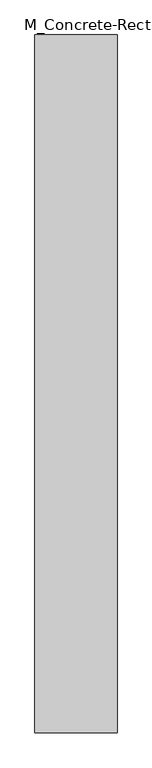
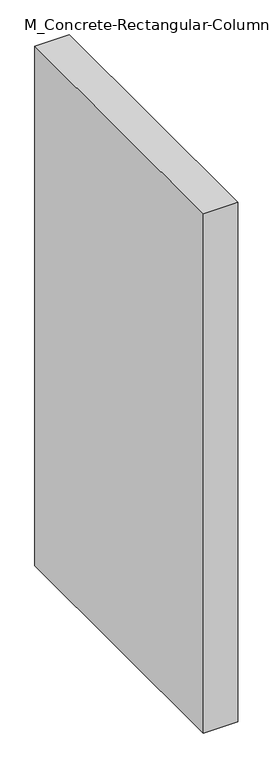
"""IFC4 building model written with IfcOpenShell, lengths in millimetres: column geometry, M_Concrete-Rectangular-Column : 40x340."""

import ifcopenshell
import ifcopenshell.guid

model = None  # the IFC model being written
_history = None  # IfcOwnerHistory: only IFC2X3 demands one
_inside = {}  # id of a spatial element -> (the spatial element, [elements in it])
_under = {}  # id of a project, library or spatial element -> (it, [spatial elements below it])
_declared = {}  # id of a project -> (the project, [libraries it declares])
_typed = {}  # id of a type object -> (the type object, [elements of that type])
_made_of = {}  # id of a material, layer set ... -> (it, [elements and type objects made of it])


def new_model(schema):
    """Start an empty IFC model of exactly this schema.

    Asked for "IFC4X3", IfcOpenShell would pick the latest addendum, in which some entities
    have other attributes; the version numbers below select the first issue.
    IFC2X3 requires an IfcOwnerHistory on every rooted entity: one is made here for all.
    """
    global model, _history
    if schema == "IFC4X3":
        model = ifcopenshell.file(schema_version=(4, 3, 0, 0))
    else:
        model = ifcopenshell.file(schema=schema)
    _inside.clear()
    _under.clear()
    _declared.clear()
    _typed.clear()
    _made_of.clear()
    _history = None
    if model.schema == "IFC2X3":
        org = make("IfcOrganization", Name="unknown")
        user = make(
            "IfcPersonAndOrganization",
            ThePerson=make("IfcPerson", FamilyName="unknown"),
            TheOrganization=org,
        )
        app = make(
            "IfcApplication",
            ApplicationDeveloper=org,
            Version="unknown",
            ApplicationFullName="unknown",
            ApplicationIdentifier="unknown",
        )
        _history = make(
            "IfcOwnerHistory",
            OwningUser=user,
            OwningApplication=app,
            ChangeAction="ADDED",
            CreationDate=0,
        )
    return model


def make(cls, **values):
    """One entity of the class cls with the attributes given. An attribute that is None is left unset."""
    return model.create_entity(
        cls, **{name: value for name, value in values.items() if value is not None}
    )


def rooted(cls, **values):
    """An entity with a GlobalId (a new one), such as an element, a storey or a relation."""
    return make(cls, GlobalId=ifcopenshell.guid.new(), OwnerHistory=_history, **values)


def si_unit(unit_type, name, prefix=None):
    """IfcSIUnit, for example si_unit("LENGTHUNIT", "METRE", prefix="MILLI")."""
    return make("IfcSIUnit", UnitType=unit_type, Prefix=prefix, Name=name)


def assignment(units):
    """IfcUnitAssignment: the units of a project."""
    return None if units is None else make("IfcUnitAssignment", Units=units)


def point(xyz):
    """IfcCartesianPoint."""
    return None if xyz is None else make("IfcCartesianPoint", Coordinates=xyz)


def direction(xyz):
    """IfcDirection."""
    return None if xyz is None else make("IfcDirection", DirectionRatios=xyz)


def frame(location, z_axis=None, x_axis=None):
    """IfcAxis2Placement3D, a coordinate frame: its origin and axes. An axis left out is left unset."""
    return make(
        "IfcAxis2Placement3D",
        Location=point(location),
        Axis=direction(z_axis),
        RefDirection=direction(x_axis),
    )


def origin():
    """The frame at (0, 0, 0) with its axes left unset."""
    return frame((0.0, 0.0, 0.0))


def place(relative_to, where):
    """IfcLocalPlacement: puts the frame where relative to a parent placement (None: the world)."""
    return make(
        "IfcLocalPlacement", PlacementRelTo=relative_to, RelativePlacement=where
    )


def context(
    kind, dimensions, precision=None, world=None, true_north=None, identifier=None
):
    """IfcGeometricRepresentationContext, for example the 3D "Model" context."""
    return make(
        "IfcGeometricRepresentationContext",
        ContextIdentifier=identifier,
        ContextType=kind,
        CoordinateSpaceDimension=dimensions,
        Precision=precision,
        WorldCoordinateSystem=world,
        TrueNorth=true_north,
    )


def project(units=None, contexts=None):
    """IfcProject with its units and contexts."""
    return rooted(
        "IfcProject",
        Name="project",
        RepresentationContexts=contexts,
        UnitsInContext=assignment(units),
    )


def spatial(cls, under=None, at=None, **own):
    """A site, building, storey or space (cls), placed at a placement, below another one or the project."""
    s = rooted(cls, ObjectPlacement=at, **own)
    if under is not None:
        _under.setdefault(under.id(), (under, []))[1].append(s)
    return s


def polyline(points):
    """IfcPolyline through the points."""
    return make("IfcPolyline", Points=[point(p) for p in points])


def outline(outer, holes=None, kind="AREA"):
    """IfcArbitraryClosedProfileDef: a profile drawn as a closed curve; with holes, ...WithVoids."""
    if holes is None:
        return make("IfcArbitraryClosedProfileDef", ProfileType=kind, OuterCurve=outer)
    return make(
        "IfcArbitraryProfileDefWithVoids",
        ProfileType=kind,
        OuterCurve=outer,
        InnerCurves=holes,
    )


def extrude(swept, where, along, depth):
    """IfcExtrudedAreaSolid: the profile swept, set in the frame where, extruded along a direction by depth."""
    return make(
        "IfcExtrudedAreaSolid",
        SweptArea=swept,
        Position=where,
        ExtrudedDirection=direction(along),
        Depth=depth,
    )


def shape(context_of_items, identifier, shape_type, items):
    """IfcShapeRepresentation: the items that make up one representation, for example the "Body"."""
    return make(
        "IfcShapeRepresentation",
        ContextOfItems=context_of_items,
        RepresentationIdentifier=identifier,
        RepresentationType=shape_type,
        Items=items,
    )


def source(mapping_origin, context_of_items, identifier, shape_type, items):
    """IfcRepresentationMap: a shape defined once, which mapped items show again and again."""
    return make(
        "IfcRepresentationMap",
        MappingOrigin=mapping_origin,
        MappedRepresentation=shape(context_of_items, identifier, shape_type, items),
    )


def transform(
    local_origin,
    x_axis=None,
    y_axis=None,
    z_axis=None,
    scale=None,
    scale2=None,
    scale3=None,
    uniform=True,
):
    """IfcCartesianTransformationOperator3D, or its non-uniform kind. x_axis, y_axis, z_axis: its Axis1, 2, 3."""
    if uniform:
        return make(
            "IfcCartesianTransformationOperator3D",
            Axis1=direction(x_axis),
            Axis2=direction(y_axis),
            LocalOrigin=point(local_origin),
            Scale=scale,
            Axis3=direction(z_axis),
        )
    return make(
        "IfcCartesianTransformationOperator3DnonUniform",
        Axis1=direction(x_axis),
        Axis2=direction(y_axis),
        LocalOrigin=point(local_origin),
        Scale=scale,
        Axis3=direction(z_axis),
        Scale2=scale2,
        Scale3=scale3,
    )


def mapped(mapping_source, mapping_target):
    """IfcMappedItem: shows the shape of a source again, moved by a transform."""
    return make(
        "IfcMappedItem", MappingSource=mapping_source, MappingTarget=mapping_target
    )


def made_of(thing, what):
    """Note that an element or type object is made of a material, layer set ...; save() writes the relation."""
    if what is not None:
        _made_of.setdefault(what.id(), (what, []))[1].append(thing)
    return thing


def element(
    cls,
    number,
    at=None,
    inside=None,
    cuts=None,
    type_object=None,
    material=None,
    context=None,
    identifier="Body",
    shape_type=None,
    held_by="IfcProductDefinitionShape",
    body=None,
    shapes=None,
    **own,
):
    """One element of the class cls, such as IfcWall. Its Tag is "e" and its number.

    at: its placement. inside: the storey or other place that contains it. cuts: it is an
    opening in that element (IfcRelVoidsElement). A single representation is given by context,
    identifier, shape_type and body (its items); several are given by shapes. held_by: the class
    of the entity that holds the representations. save() writes the other relations.
    """
    e = rooted(cls, Tag="e%d" % number, ObjectPlacement=at, **own)
    if body is not None:
        shapes = [shape(context, identifier, shape_type, body)]
    if shapes is not None:
        e.Representation = make(held_by, Representations=shapes)
    if inside is not None:
        _inside.setdefault(inside.id(), (inside, []))[1].append(e)
    if cuts is not None:
        rooted(
            "IfcRelVoidsElement", RelatingBuildingElement=cuts, RelatedOpeningElement=e
        )
    if type_object is not None:
        _typed.setdefault(type_object.id(), (type_object, []))[1].append(e)
    return made_of(e, material)


def aggregate(whole, parts):
    """IfcRelAggregates: a whole, such as a stair, and the parts it consists of."""
    return rooted("IfcRelAggregates", RelatingObject=whole, RelatedObjects=parts)


def save(model, path):
    """Write the relations noted so far, then the file.

    IfcRelAggregates (storeys below a building ...), IfcRelContainedInSpatialStructure (elements
    in a storey), IfcRelDefinesByType, IfcRelAssociatesMaterial and IfcRelDeclares: one each for
    every whole, place, type object, material and project.
    """
    for whole, parts in _under.values():
        aggregate(whole, parts)
    for where, things in _inside.values():
        rooted(
            "IfcRelContainedInSpatialStructure",
            RelatedElements=things,
            RelatingStructure=where,
        )
    for kind, things in _typed.values():
        rooted("IfcRelDefinesByType", RelatedObjects=things, RelatingType=kind)
    for what, things in _made_of.values():
        rooted("IfcRelAssociatesMaterial", RelatedObjects=things, RelatingMaterial=what)
    for by, libraries in _declared.values():
        rooted("IfcRelDeclares", RelatingContext=by, RelatedDefinitions=libraries)
    model.write(path)


def m_concrete_rectangular_column_40x340_d7d69253(model_context):
    return source(origin(), model_context, "Body", "SweptSolid", [
        extrude(outline(polyline([(200.0, 1700.0), (200.0, -1700.0), (-200.0, -1700.0), (-200.0, 1700.0), (200.0, 1700.0)])), frame((0.0, 0.0, -6400.0), z_axis=(0.0, 0.0, 1.0), x_axis=(1.0, 0.0, 0.0)), (0.0, 0.0, 1.0), 6400.0),
    ])


if __name__ == "__main__":
    model = new_model("IFC4")
    model_context = context("Model", 3, world=origin())
    ifc_project = project(units=[si_unit("LENGTHUNIT", "METRE", prefix="MILLI")], contexts=[model_context])
    site = spatial("IfcSite", under=ifc_project)
    building = spatial("IfcBuilding", under=site)
    placement = place(None, origin())
    m_concrete_rectangular_column_40x340_shape = m_concrete_rectangular_column_40x340_d7d69253(model_context)
    element("IfcColumn", 1, ObjectType="M_Concrete-Rectangular-Column : 40x340", at=placement, inside=building, context=model_context, shape_type="MappedRepresentation", body=[
        mapped(m_concrete_rectangular_column_40x340_shape, transform((0.0, 0.0, 0.0), x_axis=(1.0, 0.0, 0.0), y_axis=(0.0, 1.0, 0.0), z_axis=(0.0, 0.0, 1.0))),
    ])
    save(model, "model.ifc")
